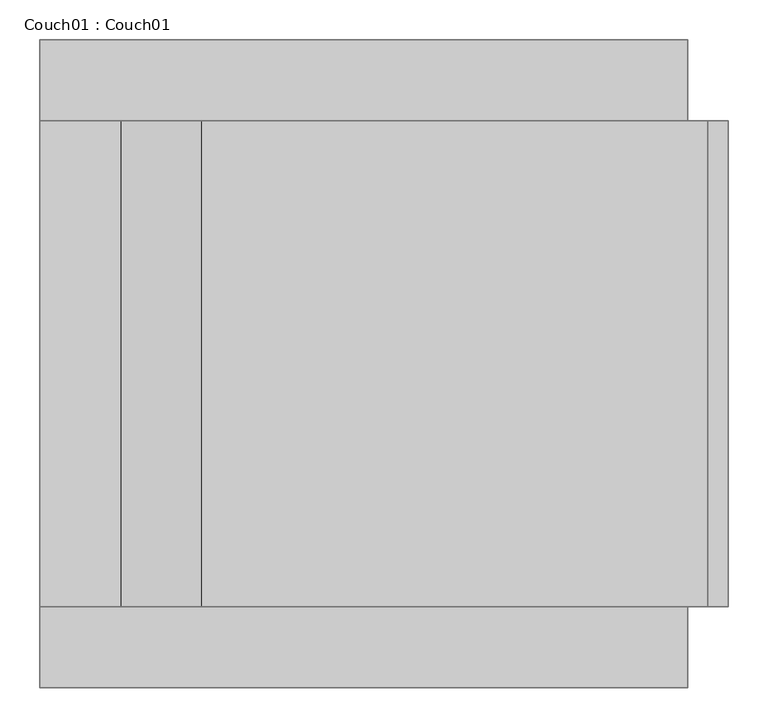
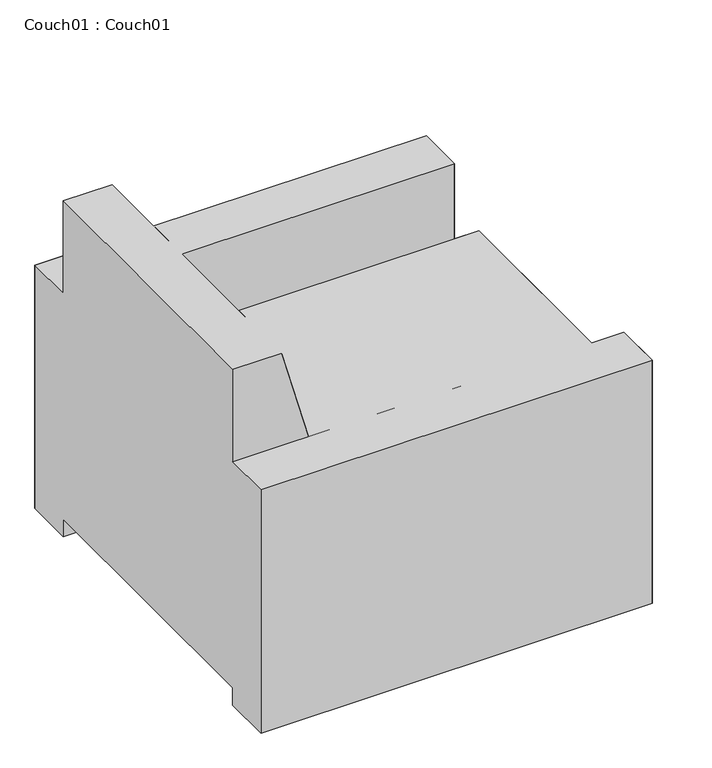
"""IFC4 building model written with IfcOpenShell, lengths in millimetres: furniture geometry, Couch01 : Couch01."""

import ifcopenshell
import ifcopenshell.guid

model = None  # the IFC model being written
_history = None  # IfcOwnerHistory: only IFC2X3 demands one
_inside = {}  # id of a spatial element -> (the spatial element, [elements in it])
_under = {}  # id of a project, library or spatial element -> (it, [spatial elements below it])
_declared = {}  # id of a project -> (the project, [libraries it declares])
_typed = {}  # id of a type object -> (the type object, [elements of that type])
_made_of = {}  # id of a material, layer set ... -> (it, [elements and type objects made of it])


def new_model(schema):
    """Start an empty IFC model of exactly this schema.

    Asked for "IFC4X3", IfcOpenShell would pick the latest addendum, in which some entities
    have other attributes; the version numbers below select the first issue.
    IFC2X3 requires an IfcOwnerHistory on every rooted entity: one is made here for all.
    """
    global model, _history
    if schema == "IFC4X3":
        model = ifcopenshell.file(schema_version=(4, 3, 0, 0))
    else:
        model = ifcopenshell.file(schema=schema)
    _inside.clear()
    _under.clear()
    _declared.clear()
    _typed.clear()
    _made_of.clear()
    _history = None
    if model.schema == "IFC2X3":
        org = make("IfcOrganization", Name="unknown")
        user = make(
            "IfcPersonAndOrganization",
            ThePerson=make("IfcPerson", FamilyName="unknown"),
            TheOrganization=org,
        )
        app = make(
            "IfcApplication",
            ApplicationDeveloper=org,
            Version="unknown",
            ApplicationFullName="unknown",
            ApplicationIdentifier="unknown",
        )
        _history = make(
            "IfcOwnerHistory",
            OwningUser=user,
            OwningApplication=app,
            ChangeAction="ADDED",
            CreationDate=0,
        )
    return model


def make(cls, **values):
    """One entity of the class cls with the attributes given. An attribute that is None is left unset."""
    return model.create_entity(
        cls, **{name: value for name, value in values.items() if value is not None}
    )


def rooted(cls, **values):
    """An entity with a GlobalId (a new one), such as an element, a storey or a relation."""
    return make(cls, GlobalId=ifcopenshell.guid.new(), OwnerHistory=_history, **values)


def si_unit(unit_type, name, prefix=None):
    """IfcSIUnit, for example si_unit("LENGTHUNIT", "METRE", prefix="MILLI")."""
    return make("IfcSIUnit", UnitType=unit_type, Prefix=prefix, Name=name)


def assignment(units):
    """IfcUnitAssignment: the units of a project."""
    return None if units is None else make("IfcUnitAssignment", Units=units)


def point(xyz):
    """IfcCartesianPoint."""
    return None if xyz is None else make("IfcCartesianPoint", Coordinates=xyz)


def direction(xyz):
    """IfcDirection."""
    return None if xyz is None else make("IfcDirection", DirectionRatios=xyz)


def frame(location, z_axis=None, x_axis=None):
    """IfcAxis2Placement3D, a coordinate frame: its origin and axes. An axis left out is left unset."""
    return make(
        "IfcAxis2Placement3D",
        Location=point(location),
        Axis=direction(z_axis),
        RefDirection=direction(x_axis),
    )


def origin():
    """The frame at (0, 0, 0) with its axes left unset."""
    return frame((0.0, 0.0, 0.0))


def place(relative_to, where):
    """IfcLocalPlacement: puts the frame where relative to a parent placement (None: the world)."""
    return make(
        "IfcLocalPlacement", PlacementRelTo=relative_to, RelativePlacement=where
    )


def context(
    kind, dimensions, precision=None, world=None, true_north=None, identifier=None
):
    """IfcGeometricRepresentationContext, for example the 3D "Model" context."""
    return make(
        "IfcGeometricRepresentationContext",
        ContextIdentifier=identifier,
        ContextType=kind,
        CoordinateSpaceDimension=dimensions,
        Precision=precision,
        WorldCoordinateSystem=world,
        TrueNorth=true_north,
    )


def project(units=None, contexts=None):
    """IfcProject with its units and contexts."""
    return rooted(
        "IfcProject",
        Name="project",
        RepresentationContexts=contexts,
        UnitsInContext=assignment(units),
    )


def spatial(cls, under=None, at=None, **own):
    """A site, building, storey or space (cls), placed at a placement, below another one or the project."""
    s = rooted(cls, ObjectPlacement=at, **own)
    if under is not None:
        _under.setdefault(under.id(), (under, []))[1].append(s)
    return s


def point_list(points):
    """IfcCartesianPointList2D or 3D."""
    cls = (
        "IfcCartesianPointList2D" if len(points[0]) == 2 else "IfcCartesianPointList3D"
    )
    return make(cls, CoordList=points)


def triangles(points, corners, closed=None, point_numbers=None):
    """IfcTriangulatedFaceSet: each triangle names its three corners, points numbered from 1."""
    return make(
        "IfcTriangulatedFaceSet",
        Coordinates=point_list(points),
        Closed=closed,
        CoordIndex=corners,
        PnIndex=point_numbers,
    )


def shape(context_of_items, identifier, shape_type, items):
    """IfcShapeRepresentation: the items that make up one representation, for example the "Body"."""
    return make(
        "IfcShapeRepresentation",
        ContextOfItems=context_of_items,
        RepresentationIdentifier=identifier,
        RepresentationType=shape_type,
        Items=items,
    )


def source(mapping_origin, context_of_items, identifier, shape_type, items):
    """IfcRepresentationMap: a shape defined once, which mapped items show again and again."""
    return make(
        "IfcRepresentationMap",
        MappingOrigin=mapping_origin,
        MappedRepresentation=shape(context_of_items, identifier, shape_type, items),
    )


def transform(
    local_origin,
    x_axis=None,
    y_axis=None,
    z_axis=None,
    scale=None,
    scale2=None,
    scale3=None,
    uniform=True,
):
    """IfcCartesianTransformationOperator3D, or its non-uniform kind. x_axis, y_axis, z_axis: its Axis1, 2, 3."""
    if uniform:
        return make(
            "IfcCartesianTransformationOperator3D",
            Axis1=direction(x_axis),
            Axis2=direction(y_axis),
            LocalOrigin=point(local_origin),
            Scale=scale,
            Axis3=direction(z_axis),
        )
    return make(
        "IfcCartesianTransformationOperator3DnonUniform",
        Axis1=direction(x_axis),
        Axis2=direction(y_axis),
        LocalOrigin=point(local_origin),
        Scale=scale,
        Axis3=direction(z_axis),
        Scale2=scale2,
        Scale3=scale3,
    )


def mapped(mapping_source, mapping_target):
    """IfcMappedItem: shows the shape of a source again, moved by a transform."""
    return make(
        "IfcMappedItem", MappingSource=mapping_source, MappingTarget=mapping_target
    )


def made_of(thing, what):
    """Note that an element or type object is made of a material, layer set ...; save() writes the relation."""
    if what is not None:
        _made_of.setdefault(what.id(), (what, []))[1].append(thing)
    return thing


def element(
    cls,
    number,
    at=None,
    inside=None,
    cuts=None,
    type_object=None,
    material=None,
    context=None,
    identifier="Body",
    shape_type=None,
    held_by="IfcProductDefinitionShape",
    body=None,
    shapes=None,
    **own,
):
    """One element of the class cls, such as IfcWall. Its Tag is "e" and its number.

    at: its placement. inside: the storey or other place that contains it. cuts: it is an
    opening in that element (IfcRelVoidsElement). A single representation is given by context,
    identifier, shape_type and body (its items); several are given by shapes. held_by: the class
    of the entity that holds the representations. save() writes the other relations.
    """
    e = rooted(cls, Tag="e%d" % number, ObjectPlacement=at, **own)
    if body is not None:
        shapes = [shape(context, identifier, shape_type, body)]
    if shapes is not None:
        e.Representation = make(held_by, Representations=shapes)
    if inside is not None:
        _inside.setdefault(inside.id(), (inside, []))[1].append(e)
    if cuts is not None:
        rooted(
            "IfcRelVoidsElement", RelatingBuildingElement=cuts, RelatedOpeningElement=e
        )
    if type_object is not None:
        _typed.setdefault(type_object.id(), (type_object, []))[1].append(e)
    return made_of(e, material)


def aggregate(whole, parts):
    """IfcRelAggregates: a whole, such as a stair, and the parts it consists of."""
    return rooted("IfcRelAggregates", RelatingObject=whole, RelatedObjects=parts)


def save(model, path):
    """Write the relations noted so far, then the file.

    IfcRelAggregates (storeys below a building ...), IfcRelContainedInSpatialStructure (elements
    in a storey), IfcRelDefinesByType, IfcRelAssociatesMaterial and IfcRelDeclares: one each for
    every whole, place, type object, material and project.
    """
    for whole, parts in _under.values():
        aggregate(whole, parts)
    for where, things in _inside.values():
        rooted(
            "IfcRelContainedInSpatialStructure",
            RelatedElements=things,
            RelatingStructure=where,
        )
    for kind, things in _typed.values():
        rooted("IfcRelDefinesByType", RelatedObjects=things, RelatingType=kind)
    for what, things in _made_of.values():
        rooted("IfcRelAssociatesMaterial", RelatedObjects=things, RelatingMaterial=what)
    for by, libraries in _declared.values():
        rooted("IfcRelDeclares", RelatingContext=by, RelatedDefinitions=libraries)
    model.write(path)


def couch01_couch01_3f3a0458(model_context):
    return source(origin(), model_context, "Body", "Tessellation", [
        triangles([(0.0, 304.8, 533.3999637), (812.8000242, 304.8, 533.3999637), (0.0, 406.4000121, 533.3999637), (812.8000242, 406.4000121, 533.3999637), (812.8000242, -304.8, 533.4000363), (0.0, -304.8, 533.4000363), (812.8000242, -406.4000121, 533.4000363), (0.0, -406.4000121, 533.4000363), (0.0, -304.7999818, 736.6000242), (101.600003, -304.7999818, 736.6000242), (0.0, 304.8000363, 736.5999516), (101.600003, 304.8000363, 736.5999516), (203.2000061, 304.7999818, 368.2999758), (203.2000061, -304.8000363, 368.3000121), (863.5999758, 304.7999818, 368.2999758), (863.5999758, -304.8000363, 368.3000121)], [[1, 2, 3], [4, 3, 2], [5, 6, 7], [8, 7, 6], [9, 10, 11], [12, 11, 10], [13, 14, 15], [16, 15, 14]], closed=False),
        triangles([(812.8000242, -304.7999818, 533.4000363), (812.8000242, -406.3999758, 533.4000363), (812.8000242, -304.8000363, 2.66e-05), (812.8000242, -406.4000484, 3.55e-05), (812.8000242, 406.4000121, 533.3999637), (812.8000242, 304.8000363, 533.3999637), (812.8000242, 406.3999758, -3.55e-05), (812.8000242, 304.7999818, -2.66e-05), (863.5999758, 304.8, 368.2999758), (863.5999758, -304.8, 368.3000121), (863.5999758, 304.8, 266.6999818), (863.5999758, -304.8, 266.7000182), (838.2, 304.8, 266.6999818), (838.2, -304.8, 266.7000182), (838.2, 304.7999818, 38.0999727), (838.2, -304.8000363, 38.1000273), (0.0, -304.7999818, 736.6000242), (0.0, -304.8000363, 38.1000273), (0.0, 304.8000363, 736.5999516), (0.0, 304.7999818, 38.0999727), (0.0, 406.4000121, 533.3999637), (0.0, 304.8000363, 533.3999637), (0.0, 406.3999758, -3.55e-05), (0.0, 304.7999818, -2.66e-05), (0.0, -304.7999818, 533.4000363), (0.0, -406.3999758, 533.4000363), (0.0, -304.8000363, 2.66e-05), (0.0, -406.4000484, 3.55e-05), (101.600003, -304.7999818, 736.6000242), (203.2000061, -304.8, 368.3000121), (101.600003, 304.8000363, 736.5999516), (203.2000061, 304.8, 368.2999758)], [[1, 2, 3], [4, 3, 2], [5, 6, 7], [8, 7, 6], [9, 10, 11], [12, 11, 10], [13, 14, 15], [16, 15, 14], [17, 18, 19], [20, 19, 18], [21, 22, 23], [24, 23, 22], [25, 26, 27], [28, 27, 26], [29, 30, 31], [32, 31, 30]], closed=False),
        triangles([(0.0, 406.4000121, 533.3999637), (812.8000242, 406.4000121, 533.3999637), (0.0, 406.3999758, -3.55e-05), (812.8000242, 406.3999758, -3.55e-05), (812.8000242, 304.8000363, 533.3999637), (812.8000242, 304.7999818, -2.66e-05), (0.0, 304.8000363, 533.3999637), (0.0, 304.7999818, -2.66e-05), (812.8000242, -304.7999818, 533.4000363), (812.8000242, -304.8000363, 2.66e-05), (0.0, -304.7999818, 533.4000363), (0.0, -304.8000363, 2.66e-05), (0.0, -406.4000484, 3.55e-05), (0.0, -406.3999758, 533.4000363), (812.8000242, -406.4000484, 3.55e-05), (812.8000242, -406.3999758, 533.4000363), (812.8000242, 304.8, 368.2999758), (863.5999758, 304.8, 368.2999758), (812.8000242, 304.8, 266.6999818), (863.5999758, 304.8, 266.6999818), (838.2, 304.8, 266.6999818), (812.8000242, 304.7999818, 38.0999727), (838.2, 304.7999818, 38.0999727), (812.8000242, -304.8, 266.7000182), (838.2, -304.8, 266.7000182), (812.8000242, -304.8000363, 38.1000273), (838.2, -304.8000363, 38.1000273), (812.8000242, -304.8, 368.3000121), (863.5999758, -304.8, 368.3000121), (863.5999758, -304.8, 266.7000182), (101.600003, 304.8000363, 736.5999516), (203.2000061, 304.8, 368.2999758), (0.0, 304.8000363, 736.5999516), (0.0, 304.8, 368.2999758), (0.0, -304.7999818, 736.6000242), (101.600003, -304.7999818, 736.6000242), (0.0, -304.8, 368.3000121), (203.2000061, -304.8, 368.3000121)], [[1, 2, 3], [4, 3, 2], [5, 6, 7], [8, 7, 6], [9, 10, 11], [12, 11, 10], [13, 14, 15], [16, 15, 14], [17, 18, 19], [20, 19, 18], [19, 21, 22], [23, 22, 21], [24, 25, 26], [27, 26, 25], [28, 29, 24], [30, 24, 29], [31, 32, 33], [34, 33, 32], [35, 36, 37], [38, 37, 36]], closed=False),
    ])


if __name__ == "__main__":
    model = new_model("IFC4")
    model_context = context("Model", 3, world=origin())
    ifc_project = project(units=[si_unit("LENGTHUNIT", "METRE", prefix="MILLI")], contexts=[model_context])
    site = spatial("IfcSite", under=ifc_project)
    building = spatial("IfcBuilding", under=site)
    placement = place(None, origin())
    couch01_couch01_shape = couch01_couch01_3f3a0458(model_context)
    element("IfcFurniture", 1, ObjectType="Couch01 : Couch01", at=placement, inside=building, context=model_context, shape_type="MappedRepresentation", body=[
        mapped(couch01_couch01_shape, transform((0.0, 0.0, 0.0), x_axis=(1.0, 0.0, 0.0), y_axis=(0.0, 1.0, 0.0), z_axis=(0.0, 0.0, 1.0))),
    ])
    save(model, "model.ifc")
